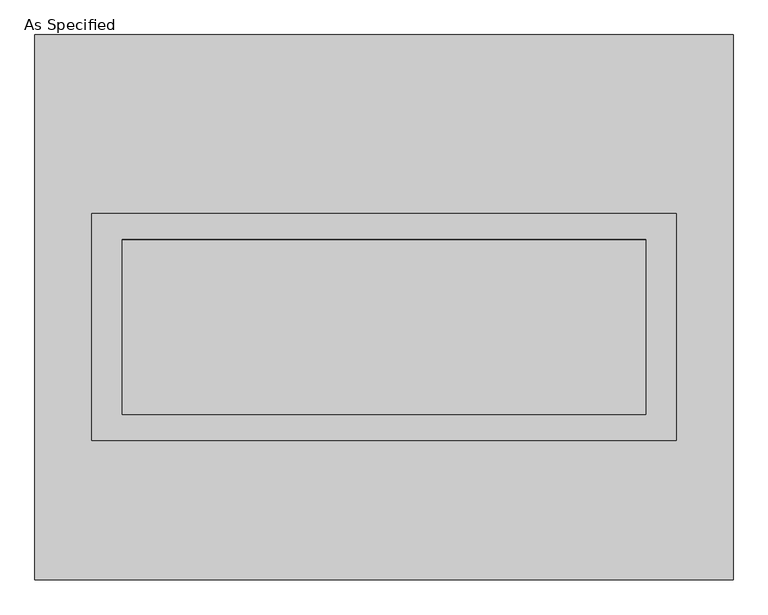
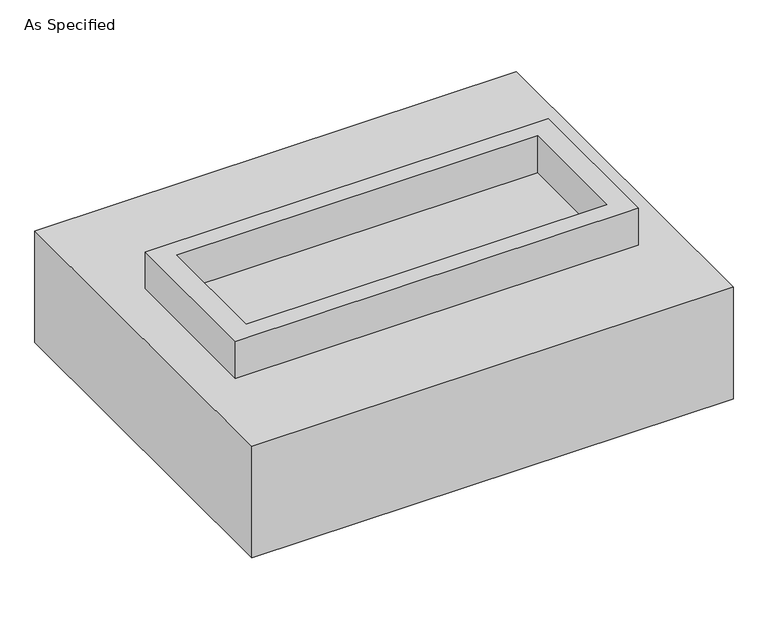
"""IFC4 building model written with IfcOpenShell, lengths in millimetres: proxy geometry, As Specified."""

from ifc_helpers import new_model, si_unit, frame, origin, place, context, project, spatial, polyline, outline, extrude, source, transform, mapped, element, save


def as_specified_ef9d046b(model_context):
    return source(origin(), model_context, "Body", "SweptSolid", [
        extrude(outline(polyline([(850.9, 273.05), (850.9, -387.35), (-850.9, -387.35), (-850.9, 273.05), (850.9, 273.05)]), holes=[polyline([(762.0, 196.85), (-762.0, 196.85), (-762.0, -311.15), (762.0, -311.15), (762.0, 196.85)])]), frame((0.0, 0.0, -688.975), z_axis=(0.0, 0.0, 1.0), x_axis=(1.0, 0.0, 0.0)), (0.0, 0.0, 1.0), 165.1),
        extrude(outline(polyline([(850.9, 273.05), (850.9, -387.35), (-850.9, -387.35), (-850.9, 273.05), (850.9, 273.05)]), holes=[polyline([(762.0, 196.85), (-762.0, 196.85), (-762.0, -311.15), (762.0, -311.15), (762.0, 196.85)])]), frame((0.0, 0.0, -25.4), z_axis=(0.0, 0.0, 1.0), x_axis=(1.0, 0.0, 0.0)), (0.0, 0.0, 1.0), 165.1),
        extrude(outline(polyline([(762.0, 196.85), (762.0, -311.15), (-762.0, -311.15), (-762.0, 196.85), (762.0, 196.85)])), frame((0.0, 0.0, -523.875), z_axis=(0.0, 0.0, 1.0), x_axis=(1.0, 0.0, 0.0)), (0.0, 0.0, 1.0), 4.9609375),
        extrude(outline(polyline([(762.0, 196.85), (762.0, -311.15), (-762.0, -311.15), (-762.0, 196.85), (762.0, 196.85)])), frame((0.0, 0.0, -30.3609375), z_axis=(0.0, 0.0, 1.0), x_axis=(1.0, 0.0, 0.0)), (0.0, 0.0, 1.0), 4.9609375),
        extrude(outline(polyline([(1016.0, -793.75), (-1016.0, -793.75), (-1016.0, 793.75), (1016.0, 793.75), (1016.0, -793.75)]), holes=[polyline([(-850.9, 273.05), (-850.9, -387.35), (850.9, -387.35), (850.9, 273.05), (-850.9, 273.05)])]), frame((0.0, 0.0, -523.875), z_axis=(0.0, 0.0, 1.0), x_axis=(1.0, 0.0, 0.0)), (0.0, 0.0, 1.0), 498.475),
    ])


if __name__ == "__main__":
    model = new_model("IFC4")
    model_context = context("Model", 3, world=origin())
    ifc_project = project(units=[si_unit("LENGTHUNIT", "METRE", prefix="MILLI")], contexts=[model_context])
    site = spatial("IfcSite", under=ifc_project)
    building = spatial("IfcBuilding", under=site)
    placement = place(None, origin())
    as_specified_shape = as_specified_ef9d046b(model_context)
    element("IfcBuildingElementProxy", 1, Name="As Specified", ObjectType="As Specified", at=placement, inside=building, context=model_context, shape_type="MappedRepresentation", body=[
        mapped(as_specified_shape, transform((0.0, 0.0, 0.0), x_axis=(1.0, 0.0, 0.0), y_axis=(0.0, 1.0, 0.0), z_axis=(0.0, 0.0, 1.0))),
    ])
    save(model, "model.ifc")
